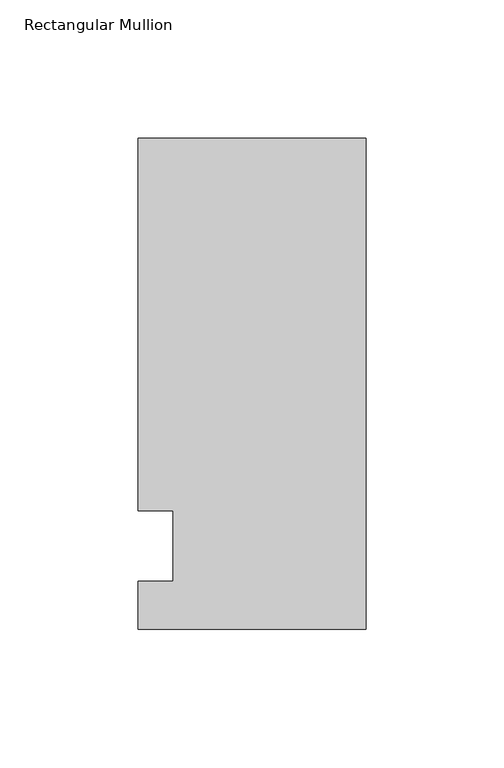
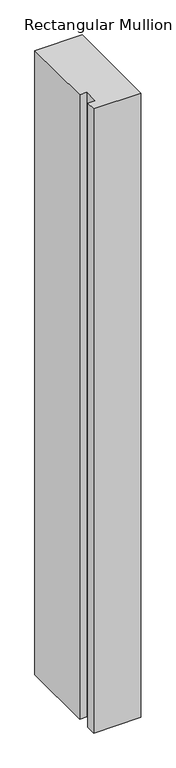
"""IFC4 building model written with IfcOpenShell, lengths in millimetres: member geometry, Rectangular Mullion."""

from ifc_helpers import new_model, si_unit, frame, origin, place, context, project, spatial, polyline, outline, extrude, source, transform, mapped, element, save


def rectangular_mullion_537ae0b2(model_context):
    return source(origin(), model_context, "Body", "SweptSolid", [
        extrude(outline(polyline([(41.275, 147.6375), (41.275, -30.1625), (-41.275, -30.1625), (-41.275, -12.7), (-28.575, -12.7), (-28.575, 12.7), (-41.275, 12.7), (-41.275, 147.6375), (41.275, 147.6375)])), frame((0.0, 0.0, -1152.525), z_axis=(0.0, 0.0, 1.0), x_axis=(1.0, 0.0, 0.0)), (0.0, 0.0, 1.0), 1152.525),
    ])


if __name__ == "__main__":
    model = new_model("IFC4")
    model_context = context("Model", 3, world=origin())
    ifc_project = project(units=[si_unit("LENGTHUNIT", "METRE", prefix="MILLI")], contexts=[model_context])
    site = spatial("IfcSite", under=ifc_project)
    building = spatial("IfcBuilding", under=site)
    placement = place(None, origin())
    rectangular_mullion_shape = rectangular_mullion_537ae0b2(model_context)
    element("IfcMember", 1, ObjectType="Rectangular Mullion", at=placement, inside=building, context=model_context, shape_type="MappedRepresentation", body=[
        mapped(rectangular_mullion_shape, transform((0.0, 0.0, 0.0), x_axis=(1.0, 0.0, 0.0), y_axis=(0.0, 1.0, 0.0), z_axis=(0.0, 0.0, 1.0))),
    ])
    save(model, "model.ifc")
